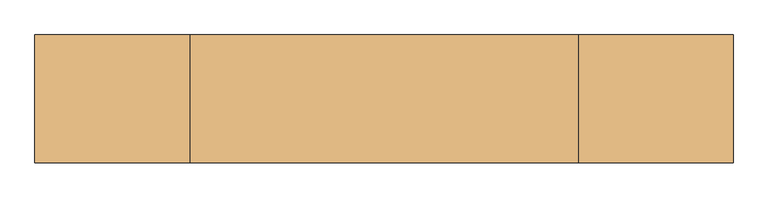
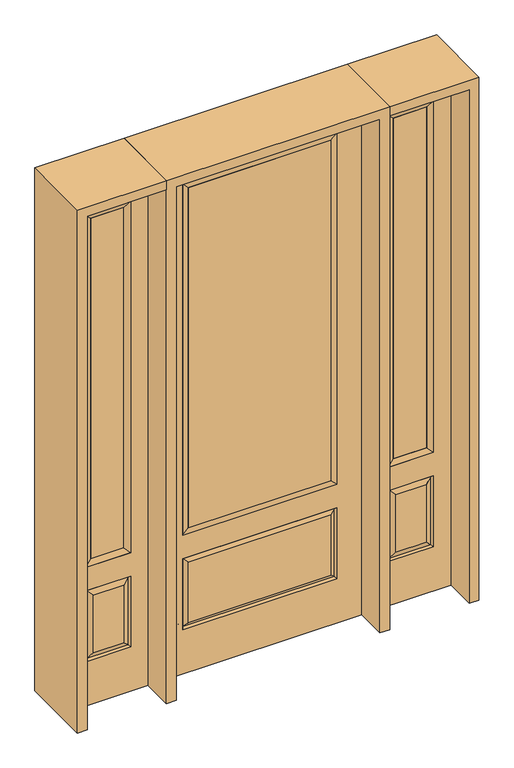
"""IFC4 building model written with IfcOpenShell, lengths in millimetres: door geometry."""

from ifc_helpers import new_model, si_unit, frame, origin, place, context, project, spatial, polyline, outline, extrude, faceted_brep, source, transform, mapped, element, save


def door_481796b9(model_context):
    return source(origin(), model_context, "Body", "SolidModel", [
        faceted_brep([(501.65, -22.225, 0.0), (857.25, -22.225, 0.0), (857.25, -22.225, 2438.4), (501.65, -22.225, 2438.4), (779.78, -22.225, 2325.624), (779.78, -22.225, 657.098), (579.12, -22.225, 657.098), (579.12, -22.225, 2325.624), (779.78, -22.225, 209.55), (579.12, -22.225, 209.55), (579.12, -22.225, 546.1), (779.78, -22.225, 546.1), (610.8351001, -22.225, 241.2651001), (748.0648999, -22.225, 241.2651001), (748.0648999, -22.225, 514.3848999), (610.8351001, -22.225, 514.3848999), (501.65, 22.225, 0.0), (501.65, 22.225, 2438.4), (857.25, 22.225, 2438.4), (857.25, 22.225, 0.0), (779.78, 22.225, 2325.624), (579.12, 22.225, 2325.624), (579.12, 22.225, 657.098), (779.78, 22.225, 657.098), (579.12, 22.225, 209.55), (779.78, 22.225, 209.55), (779.78, 22.225, 546.1), (579.12, 22.225, 546.1), (748.0648999, 22.225, 241.2651001), (610.8351001, 22.225, 241.2651001), (610.8351001, 22.225, 514.3848999), (748.0648999, 22.225, 514.3848999), (772.6711499, 12.7912373, 216.6588501), (586.2288501, 12.7912373, 216.6588501), (586.2288501, 12.7912373, 538.9911499), (772.6711499, 12.7912373, 538.9911499), (586.2288501, -12.7912373, 216.6588501), (772.6711499, -12.7912373, 216.6588501), (586.2288501, -12.7912373, 538.9911499), (772.6711499, -12.7912373, 538.9911499)], [[[0, 1, 2, 3], [4, 5, 6, 7], [8, 9, 10, 11]], [[12, 13, 14, 15]], [[16, 17, 18, 19], [20, 21, 22, 23], [24, 25, 26, 27]], [[28, 29, 30, 31]], [[1, 0, 16, 19]], [[2, 1, 19, 18]], [[3, 2, 18, 17]], [[0, 3, 17, 16]], [[5, 4, 20, 23]], [[6, 5, 23, 22]], [[7, 6, 22, 21]], [[4, 7, 21, 20]], [[32, 33, 29, 28]], [[33, 32, 25, 24]], [[29, 33, 34, 30]], [[33, 24, 27, 34]], [[30, 34, 35, 31]], [[34, 27, 26, 35]], [[32, 28, 31, 35]], [[25, 32, 35, 26]], [[12, 36, 37, 13]], [[37, 36, 9, 8]], [[36, 12, 15, 38]], [[9, 36, 38, 10]], [[38, 15, 14, 39]], [[10, 38, 39, 11]], [[13, 37, 39, 14]], [[37, 8, 11, 39]]]),
        faceted_brep([(579.12, 22.225, 2325.624), (579.12, -22.225, 2325.624), (779.78, -22.225, 2325.624), (779.78, 22.225, 2325.624), (604.52, 12.7, 2300.224), (754.38, 12.7, 2300.224), (604.52, -12.7, 2300.224), (754.38, -12.7, 2300.224), (779.78, -22.225, 657.098), (779.78, 22.225, 657.098), (754.38, 12.7, 682.498), (754.38, -12.7, 682.498), (579.12, -22.225, 657.098), (579.12, 22.225, 657.098), (604.52, 12.7, 682.498), (604.52, -12.7, 682.498)], [[[0, 1, 2, 3]], [[4, 0, 3, 5]], [[6, 4, 5, 7]], [[1, 6, 7, 2]], [[3, 2, 8, 9]], [[5, 3, 9, 10]], [[7, 5, 10, 11]], [[2, 7, 11, 8]], [[9, 8, 12, 13]], [[10, 9, 13, 14]], [[11, 10, 14, 15]], [[8, 11, 15, 12]], [[13, 12, 1, 0]], [[14, 13, 0, 4]], [[15, 14, 4, 6]], [[12, 15, 6, 1]]]),
        extrude(outline(polyline([(754.38, -12.7), (604.52, -12.7), (604.52, 12.7), (754.38, 12.7), (754.38, -12.7)])), frame((0.0, 0.0, 682.498), z_axis=(0.0, 0.0, 1.0), x_axis=(1.0, 0.0, 0.0)), (0.0, 0.0, 1.0), 1617.726),
        faceted_brep([(-857.25, -22.225, 0.0), (-501.65, -22.225, 0.0), (-501.65, -22.225, 2438.4), (-857.25, -22.225, 2438.4), (-579.12, -22.225, 2325.624), (-579.12, -22.225, 657.098), (-779.78, -22.225, 657.098), (-779.78, -22.225, 2325.624), (-579.12, -22.225, 209.55), (-779.78, -22.225, 209.55), (-779.78, -22.225, 546.1), (-579.12, -22.225, 546.1), (-748.0648999, -22.225, 241.2651001), (-610.8351001, -22.225, 241.2651001), (-610.8351001, -22.225, 514.3848999), (-748.0648999, -22.225, 514.3848999), (-857.25, 22.225, 0.0), (-857.25, 22.225, 2438.4), (-501.65, 22.225, 2438.4), (-501.65, 22.225, 0.0), (-579.12, 22.225, 2325.624), (-779.78, 22.225, 2325.624), (-779.78, 22.225, 657.098), (-579.12, 22.225, 657.098), (-779.78, 22.225, 209.55), (-579.12, 22.225, 209.55), (-579.12, 22.225, 546.1), (-779.78, 22.225, 546.1), (-610.8351001, 22.225, 241.2651001), (-748.0648999, 22.225, 241.2651001), (-748.0648999, 22.225, 514.3848999), (-610.8351001, 22.225, 514.3848999), (-586.2288501, 12.7912373, 216.6588501), (-772.6711499, 12.7912373, 216.6588501), (-772.6711499, 12.7912373, 538.9911499), (-586.2288501, 12.7912373, 538.9911499), (-772.6711499, -12.7912373, 216.6588501), (-586.2288501, -12.7912373, 216.6588501), (-772.6711499, -12.7912373, 538.9911499), (-586.2288501, -12.7912373, 538.9911499)], [[[0, 1, 2, 3], [4, 5, 6, 7], [8, 9, 10, 11]], [[12, 13, 14, 15]], [[16, 17, 18, 19], [20, 21, 22, 23], [24, 25, 26, 27]], [[28, 29, 30, 31]], [[1, 0, 16, 19]], [[2, 1, 19, 18]], [[3, 2, 18, 17]], [[0, 3, 17, 16]], [[5, 4, 20, 23]], [[6, 5, 23, 22]], [[7, 6, 22, 21]], [[4, 7, 21, 20]], [[32, 33, 29, 28]], [[33, 32, 25, 24]], [[29, 33, 34, 30]], [[33, 24, 27, 34]], [[30, 34, 35, 31]], [[34, 27, 26, 35]], [[32, 28, 31, 35]], [[25, 32, 35, 26]], [[12, 36, 37, 13]], [[37, 36, 9, 8]], [[36, 12, 15, 38]], [[9, 36, 38, 10]], [[38, 15, 14, 39]], [[10, 38, 39, 11]], [[13, 37, 39, 14]], [[37, 8, 11, 39]]]),
        faceted_brep([(-779.78, 22.225, 2325.624), (-779.78, -22.225, 2325.624), (-579.12, -22.225, 2325.624), (-579.12, 22.225, 2325.624), (-754.38, 12.7, 2300.224), (-604.52, 12.7, 2300.224), (-754.38, -12.7, 2300.224), (-604.52, -12.7, 2300.224), (-579.12, -22.225, 657.098), (-579.12, 22.225, 657.098), (-604.52, 12.7, 682.498), (-604.52, -12.7, 682.498), (-779.78, -22.225, 657.098), (-779.78, 22.225, 657.098), (-754.38, 12.7, 682.498), (-754.38, -12.7, 682.498)], [[[0, 1, 2, 3]], [[4, 0, 3, 5]], [[6, 4, 5, 7]], [[1, 6, 7, 2]], [[3, 2, 8, 9]], [[5, 3, 9, 10]], [[7, 5, 10, 11]], [[2, 7, 11, 8]], [[9, 8, 12, 13]], [[10, 9, 13, 14]], [[11, 10, 14, 15]], [[8, 11, 15, 12]], [[13, 12, 1, 0]], [[14, 13, 0, 4]], [[15, 14, 4, 6]], [[12, 15, 6, 1]]]),
        extrude(outline(polyline([(-604.52, -12.7), (-754.38, -12.7), (-754.38, 12.7), (-604.52, 12.7), (-604.52, -12.7)])), frame((0.0, 0.0, 682.498), z_axis=(0.0, 0.0, 1.0), x_axis=(1.0, 0.0, 0.0)), (0.0, 0.0, 1.0), 1617.726),
        extrude(outline(polyline([(320.675, -20.32), (-320.675, -20.32), (-320.675, 5.08), (320.675, 5.08), (320.675, -20.32)])), frame((0.0, 0.0, 682.498), z_axis=(0.0, 0.0, 1.0), x_axis=(1.0, 0.0, 0.0)), (0.0, 0.0, 1.0), 1616.202),
        faceted_brep([(-338.9661499, -12.7912373, 216.6588501), (338.9661499, -12.7912373, 216.6588501), (321.46875, -22.225, 234.15625), (-321.46875, -22.225, 234.15625), (-346.075, -22.225, 209.55), (346.075, -22.225, 209.55), (-338.9661499, -12.7912373, 538.9911499), (-346.075, -22.225, 546.1), (321.46875, -22.225, 521.49375), (-321.46875, -22.225, 521.49375), (457.2, -22.225, 2438.4), (-457.2, -22.225, 2438.4), (-457.2, -22.225, 0.0), (457.2, -22.225, 0.0), (346.075, -22.225, 546.1), (346.075, -22.225, 2324.1), (346.075, -22.225, 657.098), (-346.075, -22.225, 657.098), (-346.075, -22.225, 2324.1), (338.9661499, -12.7912373, 538.9911499), (-457.2, 22.225, 2438.4), (-457.2, 22.225, 0.0), (457.2, 22.225, 0.0), (457.2, 22.225, 2438.4), (346.075, 22.225, 2324.1), (346.075, 22.225, 657.098), (-346.075, 22.225, 657.098), (-346.075, 22.225, 2324.1), (-346.075, 22.225, 209.55), (346.075, 22.225, 209.55), (346.075, 22.225, 546.1), (-346.075, 22.225, 546.1), (321.46875, 22.225, 234.15625), (-321.46875, 22.225, 234.15625), (-321.46875, 22.225, 521.49375), (321.46875, 22.225, 521.49375), (-338.9661499, 12.7912373, 216.6588501), (338.9661499, 12.7912373, 216.6588501), (338.9661499, 12.7912373, 538.9911499), (-338.9661499, 12.7912373, 538.9911499)], [[[0, 1, 2, 3]], [[1, 0, 4, 5]], [[4, 0, 6, 7]], [[3, 2, 8, 9]], [[10, 11, 12, 13], [5, 4, 7, 14], [15, 16, 17, 18]], [[1, 5, 14, 19]], [[2, 1, 19, 8]], [[0, 3, 9, 6]], [[7, 6, 19, 14]], [[6, 9, 8, 19]], [[12, 11, 20, 21]], [[13, 12, 21, 22]], [[10, 13, 22, 23]], [[16, 15, 24, 25]], [[17, 16, 25, 26]], [[18, 17, 26, 27]], [[23, 22, 21, 20], [28, 29, 30, 31], [24, 27, 26, 25]], [[32, 33, 34, 35]], [[28, 36, 37, 29]], [[29, 37, 38, 30]], [[39, 31, 30, 38]], [[36, 28, 31, 39]], [[37, 36, 33, 32]], [[33, 36, 39, 34]], [[34, 39, 38, 35]], [[37, 32, 35, 38]], [[11, 10, 23, 20]], [[15, 18, 27, 24]]]),
        faceted_brep([(-346.075, -22.225, 2324.1), (-346.075, 22.225, 2324.1), (-346.075, 22.225, 657.098), (-346.075, -22.225, 657.098), (346.075, 22.225, 657.098), (346.075, -22.225, 657.098), (-320.675, 5.08, 682.498), (320.675, 5.08, 682.498), (346.075, 22.225, 2324.1), (346.075, -22.225, 2324.1), (-320.675, -20.32, 682.498), (320.675, -20.32, 682.498), (-320.675, -20.32, 2298.7), (320.675, -20.32, 2298.7), (-320.675, 5.08, 2298.7), (320.675, 5.08, 2298.7)], [[[0, 1, 2, 3]], [[3, 2, 4, 5]], [[2, 6, 7, 4]], [[5, 4, 8, 9]], [[10, 3, 5, 11]], [[12, 0, 3, 10]], [[11, 5, 9, 13]], [[6, 10, 11, 7]], [[14, 12, 10, 6]], [[7, 11, 13, 15]], [[1, 14, 6, 2]], [[4, 7, 15, 8]], [[9, 8, 1, 0]], [[13, 9, 0, 12]], [[15, 13, 12, 14]], [[8, 15, 14, 1]]]),
        extrude(outline(polyline([(2438.4, -501.65), (2482.85, -501.65), (2482.85, -901.7), (0.0, -901.7), (0.0, -857.25), (2438.4, -857.25), (2438.4, -501.65)])), frame((0.0, -165.1, 0.0), z_axis=(0.0, 1.0, 0.0), x_axis=(0.0, 0.0, 1.0)), (0.0, 0.0, 1.0), 330.2),
        extrude(outline(polyline([(2482.85, -501.65), (0.0, -501.65), (0.0, -457.2), (2438.4, -457.2), (2438.4, 457.2), (0.0, 457.2), (0.0, 501.65), (2482.85, 501.65), (2482.85, -501.65)])), frame((0.0, -165.1, 0.0), z_axis=(0.0, 1.0, 0.0), x_axis=(0.0, 0.0, 1.0)), (0.0, 0.0, 1.0), 330.2),
        extrude(outline(polyline([(0.0, 857.25), (0.0, 901.7), (2482.85, 901.7), (2482.85, 501.65), (2438.4, 501.65), (2438.4, 857.25), (0.0, 857.25)])), frame((0.0, -165.1, 0.0), z_axis=(0.0, 1.0, 0.0), x_axis=(0.0, 0.0, 1.0)), (0.0, 0.0, 1.0), 330.2),
    ])


if __name__ == "__main__":
    model = new_model("IFC4")
    model_context = context("Model", 3, world=origin())
    ifc_project = project(units=[si_unit("LENGTHUNIT", "METRE", prefix="MILLI")], contexts=[model_context])
    site = spatial("IfcSite", under=ifc_project)
    building = spatial("IfcBuilding", under=site)
    placement = place(None, origin())
    door_shape = door_481796b9(model_context)
    element("IfcDoor", 1, at=placement, inside=building, context=model_context, shape_type="MappedRepresentation", body=[
        mapped(door_shape, transform((0.0, 0.0, 0.0), x_axis=(1.0, 0.0, 0.0), y_axis=(0.0, 1.0, 0.0), z_axis=(0.0, 0.0, 1.0))),
    ])
    save(model, "model.ifc")
